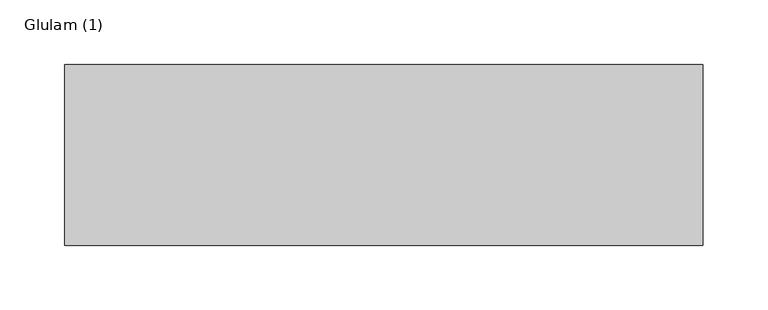
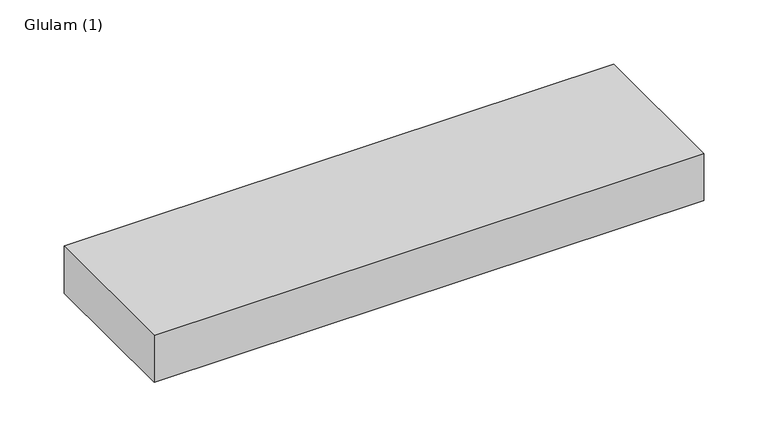
"""IFC4 building model written with IfcOpenShell, lengths in millimetres: beam geometry, Glulam (1)."""

from ifc_helpers import new_model, si_unit, frame, origin, place, context, project, spatial, polyline, outline, extrude, source, transform, mapped, element, save


def glulam_1_8ac71e5c(model_context):
    return source(origin(), model_context, "Body", "SweptSolid", [
        extrude(outline(polyline([(244.0, 70.0), (244.0, -70.0), (-250.0, -70.0), (-250.0, 70.0), (244.0, 70.0)])), frame((0.0, 0.0, -22.5), z_axis=(0.0, 0.0, 1.0), x_axis=(1.0, 0.0, 0.0)), (0.0, 0.0, 1.0), 45.0),
    ])


if __name__ == "__main__":
    model = new_model("IFC4")
    model_context = context("Model", 3, world=origin())
    ifc_project = project(units=[si_unit("LENGTHUNIT", "METRE", prefix="MILLI")], contexts=[model_context])
    site = spatial("IfcSite", under=ifc_project)
    building = spatial("IfcBuilding", under=site)
    placement = place(None, origin())
    glulam_1_shape = glulam_1_8ac71e5c(model_context)
    element("IfcBeam", 1, ObjectType="Glulam (1)", at=placement, inside=building, context=model_context, shape_type="MappedRepresentation", body=[
        mapped(glulam_1_shape, transform((0.0, 0.0, 0.0), x_axis=(1.0, 0.0, 0.0), y_axis=(0.0, 1.0, 0.0), z_axis=(0.0, 0.0, 1.0))),
    ])
    save(model, "model.ifc")
